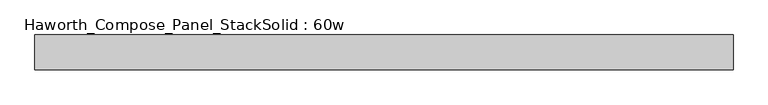
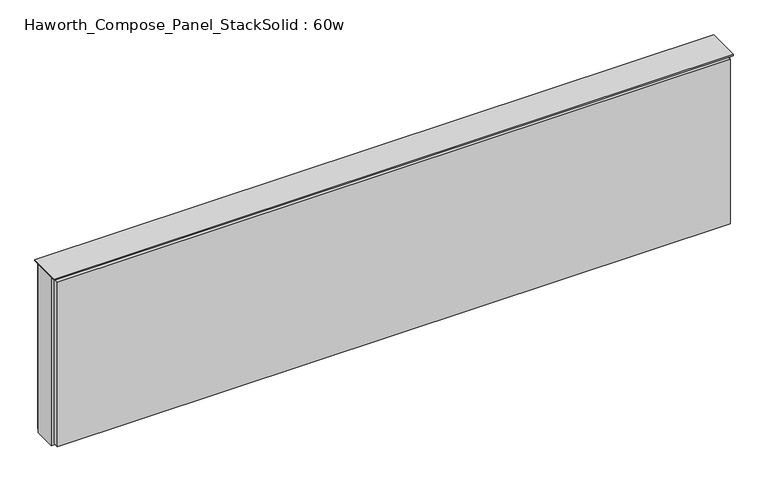
"""IFC4 building model written with IfcOpenShell, lengths in millimetres: furniture geometry, Haworth_Compose_Panel_StackSolid : 60w."""

from ifc_helpers import new_model, si_unit, frame, origin, place, context, project, spatial, polyline, outline, extrude, source, transform, mapped, element, save


def haworth_compose_panel_stacksolid_60w_2c2d272a(model_context):
    return source(origin(), model_context, "Body", "SweptSolid", [
        extrude(outline(polyline([(758.0902902, 38.1), (758.0902902, 25.4), (-753.2097098, 25.4), (-753.2097098, 38.1), (758.0902902, 38.1)])), frame((0.0, 0.0, 1066.8), z_axis=(0.0, 0.0, 1.0), x_axis=(1.0, 0.0, 0.0)), (0.0, 0.0, 1.0), 390.525),
        extrude(outline(polyline([(758.0902902, -38.1), (-753.2097098, -38.1), (-753.2097098, -25.4), (758.0902902, -25.4), (758.0902902, -38.1)])), frame((0.0, 0.0, 1069.975), z_axis=(0.0, 0.0, 1.0), x_axis=(1.0, 0.0, 0.0)), (0.0, 0.0, 1.0), 390.525),
        extrude(outline(polyline([(764.4402902, 25.4), (764.4402902, -25.4), (-759.5597098, -25.4), (-759.5597098, 25.4), (764.4402902, 25.4)])), frame((0.0, 0.0, 1066.8), z_axis=(0.0, 0.0, 1.0), x_axis=(1.0, 0.0, 0.0)), (0.0, 0.0, 1.0), 400.05),
        extrude(outline(polyline([(-759.5597098, -38.1), (-759.5597098, 38.1), (764.4402902, 38.1), (764.4402902, -38.1), (-759.5597098, -38.1)])), frame((0.0, 0.0, 1466.85), z_axis=(0.0, 0.0, 1.0), x_axis=(1.0, 0.0, 0.0)), (0.0, 0.0, 1.0), 3.175),
    ])


if __name__ == "__main__":
    model = new_model("IFC4")
    model_context = context("Model", 3, world=origin())
    ifc_project = project(units=[si_unit("LENGTHUNIT", "METRE", prefix="MILLI")], contexts=[model_context])
    site = spatial("IfcSite", under=ifc_project)
    building = spatial("IfcBuilding", under=site)
    placement = place(None, origin())
    haworth_compose_panel_stacksolid_60w_shape = haworth_compose_panel_stacksolid_60w_2c2d272a(model_context)
    element("IfcFurniture", 1, ObjectType="Haworth_Compose_Panel_StackSolid : 60w", at=placement, inside=building, context=model_context, shape_type="MappedRepresentation", body=[
        mapped(haworth_compose_panel_stacksolid_60w_shape, transform((0.0, 0.0, 0.0), x_axis=(1.0, 0.0, 0.0), y_axis=(0.0, 1.0, 0.0), z_axis=(0.0, 0.0, 1.0))),
    ])
    save(model, "model.ifc")
